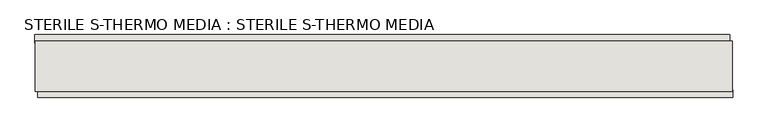
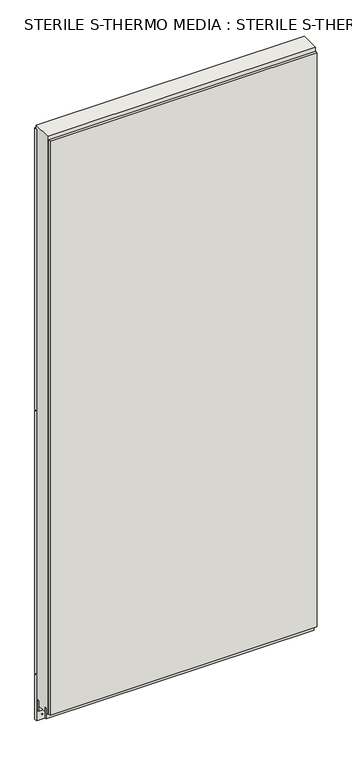
"""IFC4 building model written with IfcOpenShell, lengths in millimetres: wall geometry, STERILE S-THERMO MEDIA : STERILE S-THERMO MEDIA."""

import ifcopenshell
import ifcopenshell.guid

model = None  # the IFC model being written
_history = None  # IfcOwnerHistory: only IFC2X3 demands one
_inside = {}  # id of a spatial element -> (the spatial element, [elements in it])
_under = {}  # id of a project, library or spatial element -> (it, [spatial elements below it])
_declared = {}  # id of a project -> (the project, [libraries it declares])
_typed = {}  # id of a type object -> (the type object, [elements of that type])
_made_of = {}  # id of a material, layer set ... -> (it, [elements and type objects made of it])


def new_model(schema):
    """Start an empty IFC model of exactly this schema.

    Asked for "IFC4X3", IfcOpenShell would pick the latest addendum, in which some entities
    have other attributes; the version numbers below select the first issue.
    IFC2X3 requires an IfcOwnerHistory on every rooted entity: one is made here for all.
    """
    global model, _history
    if schema == "IFC4X3":
        model = ifcopenshell.file(schema_version=(4, 3, 0, 0))
    else:
        model = ifcopenshell.file(schema=schema)
    _inside.clear()
    _under.clear()
    _declared.clear()
    _typed.clear()
    _made_of.clear()
    _history = None
    if model.schema == "IFC2X3":
        org = make("IfcOrganization", Name="unknown")
        user = make(
            "IfcPersonAndOrganization",
            ThePerson=make("IfcPerson", FamilyName="unknown"),
            TheOrganization=org,
        )
        app = make(
            "IfcApplication",
            ApplicationDeveloper=org,
            Version="unknown",
            ApplicationFullName="unknown",
            ApplicationIdentifier="unknown",
        )
        _history = make(
            "IfcOwnerHistory",
            OwningUser=user,
            OwningApplication=app,
            ChangeAction="ADDED",
            CreationDate=0,
        )
    return model


def make(cls, **values):
    """One entity of the class cls with the attributes given. An attribute that is None is left unset."""
    return model.create_entity(
        cls, **{name: value for name, value in values.items() if value is not None}
    )


def rooted(cls, **values):
    """An entity with a GlobalId (a new one), such as an element, a storey or a relation."""
    return make(cls, GlobalId=ifcopenshell.guid.new(), OwnerHistory=_history, **values)


def si_unit(unit_type, name, prefix=None):
    """IfcSIUnit, for example si_unit("LENGTHUNIT", "METRE", prefix="MILLI")."""
    return make("IfcSIUnit", UnitType=unit_type, Prefix=prefix, Name=name)


def assignment(units):
    """IfcUnitAssignment: the units of a project."""
    return None if units is None else make("IfcUnitAssignment", Units=units)


def point(xyz):
    """IfcCartesianPoint."""
    return None if xyz is None else make("IfcCartesianPoint", Coordinates=xyz)


def direction(xyz):
    """IfcDirection."""
    return None if xyz is None else make("IfcDirection", DirectionRatios=xyz)


def frame(location, z_axis=None, x_axis=None):
    """IfcAxis2Placement3D, a coordinate frame: its origin and axes. An axis left out is left unset."""
    return make(
        "IfcAxis2Placement3D",
        Location=point(location),
        Axis=direction(z_axis),
        RefDirection=direction(x_axis),
    )


def origin():
    """The frame at (0, 0, 0) with its axes left unset."""
    return frame((0.0, 0.0, 0.0))


def place(relative_to, where):
    """IfcLocalPlacement: puts the frame where relative to a parent placement (None: the world)."""
    return make(
        "IfcLocalPlacement", PlacementRelTo=relative_to, RelativePlacement=where
    )


def context(
    kind, dimensions, precision=None, world=None, true_north=None, identifier=None
):
    """IfcGeometricRepresentationContext, for example the 3D "Model" context."""
    return make(
        "IfcGeometricRepresentationContext",
        ContextIdentifier=identifier,
        ContextType=kind,
        CoordinateSpaceDimension=dimensions,
        Precision=precision,
        WorldCoordinateSystem=world,
        TrueNorth=true_north,
    )


def project(units=None, contexts=None):
    """IfcProject with its units and contexts."""
    return rooted(
        "IfcProject",
        Name="project",
        RepresentationContexts=contexts,
        UnitsInContext=assignment(units),
    )


def spatial(cls, under=None, at=None, **own):
    """A site, building, storey or space (cls), placed at a placement, below another one or the project."""
    s = rooted(cls, ObjectPlacement=at, **own)
    if under is not None:
        _under.setdefault(under.id(), (under, []))[1].append(s)
    return s


def polyline(points):
    """IfcPolyline through the points."""
    return make("IfcPolyline", Points=[point(p) for p in points])


def outline(outer, holes=None, kind="AREA"):
    """IfcArbitraryClosedProfileDef: a profile drawn as a closed curve; with holes, ...WithVoids."""
    if holes is None:
        return make("IfcArbitraryClosedProfileDef", ProfileType=kind, OuterCurve=outer)
    return make(
        "IfcArbitraryProfileDefWithVoids",
        ProfileType=kind,
        OuterCurve=outer,
        InnerCurves=holes,
    )


def extrude(swept, where, along, depth):
    """IfcExtrudedAreaSolid: the profile swept, set in the frame where, extruded along a direction by depth."""
    return make(
        "IfcExtrudedAreaSolid",
        SweptArea=swept,
        Position=where,
        ExtrudedDirection=direction(along),
        Depth=depth,
    )


def shape(context_of_items, identifier, shape_type, items):
    """IfcShapeRepresentation: the items that make up one representation, for example the "Body"."""
    return make(
        "IfcShapeRepresentation",
        ContextOfItems=context_of_items,
        RepresentationIdentifier=identifier,
        RepresentationType=shape_type,
        Items=items,
    )


def source(mapping_origin, context_of_items, identifier, shape_type, items):
    """IfcRepresentationMap: a shape defined once, which mapped items show again and again."""
    return make(
        "IfcRepresentationMap",
        MappingOrigin=mapping_origin,
        MappedRepresentation=shape(context_of_items, identifier, shape_type, items),
    )


def transform(
    local_origin,
    x_axis=None,
    y_axis=None,
    z_axis=None,
    scale=None,
    scale2=None,
    scale3=None,
    uniform=True,
):
    """IfcCartesianTransformationOperator3D, or its non-uniform kind. x_axis, y_axis, z_axis: its Axis1, 2, 3."""
    if uniform:
        return make(
            "IfcCartesianTransformationOperator3D",
            Axis1=direction(x_axis),
            Axis2=direction(y_axis),
            LocalOrigin=point(local_origin),
            Scale=scale,
            Axis3=direction(z_axis),
        )
    return make(
        "IfcCartesianTransformationOperator3DnonUniform",
        Axis1=direction(x_axis),
        Axis2=direction(y_axis),
        LocalOrigin=point(local_origin),
        Scale=scale,
        Axis3=direction(z_axis),
        Scale2=scale2,
        Scale3=scale3,
    )


def mapped(mapping_source, mapping_target):
    """IfcMappedItem: shows the shape of a source again, moved by a transform."""
    return make(
        "IfcMappedItem", MappingSource=mapping_source, MappingTarget=mapping_target
    )


def made_of(thing, what):
    """Note that an element or type object is made of a material, layer set ...; save() writes the relation."""
    if what is not None:
        _made_of.setdefault(what.id(), (what, []))[1].append(thing)
    return thing


def element(
    cls,
    number,
    at=None,
    inside=None,
    cuts=None,
    type_object=None,
    material=None,
    context=None,
    identifier="Body",
    shape_type=None,
    held_by="IfcProductDefinitionShape",
    body=None,
    shapes=None,
    **own,
):
    """One element of the class cls, such as IfcWall. Its Tag is "e" and its number.

    at: its placement. inside: the storey or other place that contains it. cuts: it is an
    opening in that element (IfcRelVoidsElement). A single representation is given by context,
    identifier, shape_type and body (its items); several are given by shapes. held_by: the class
    of the entity that holds the representations. save() writes the other relations.
    """
    e = rooted(cls, Tag="e%d" % number, ObjectPlacement=at, **own)
    if body is not None:
        shapes = [shape(context, identifier, shape_type, body)]
    if shapes is not None:
        e.Representation = make(held_by, Representations=shapes)
    if inside is not None:
        _inside.setdefault(inside.id(), (inside, []))[1].append(e)
    if cuts is not None:
        rooted(
            "IfcRelVoidsElement", RelatingBuildingElement=cuts, RelatedOpeningElement=e
        )
    if type_object is not None:
        _typed.setdefault(type_object.id(), (type_object, []))[1].append(e)
    return made_of(e, material)


def aggregate(whole, parts):
    """IfcRelAggregates: a whole, such as a stair, and the parts it consists of."""
    return rooted("IfcRelAggregates", RelatingObject=whole, RelatedObjects=parts)


def save(model, path):
    """Write the relations noted so far, then the file.

    IfcRelAggregates (storeys below a building ...), IfcRelContainedInSpatialStructure (elements
    in a storey), IfcRelDefinesByType, IfcRelAssociatesMaterial and IfcRelDeclares: one each for
    every whole, place, type object, material and project.
    """
    for whole, parts in _under.values():
        aggregate(whole, parts)
    for where, things in _inside.values():
        rooted(
            "IfcRelContainedInSpatialStructure",
            RelatedElements=things,
            RelatingStructure=where,
        )
    for kind, things in _typed.values():
        rooted("IfcRelDefinesByType", RelatedObjects=things, RelatingType=kind)
    for what, things in _made_of.values():
        rooted("IfcRelAssociatesMaterial", RelatedObjects=things, RelatingMaterial=what)
    for by, libraries in _declared.values():
        rooted("IfcRelDeclares", RelatingContext=by, RelatedDefinitions=libraries)
    model.write(path)


def sterile_s_thermo_media_sterile_s_thermo_media_e1e61e9f(model_context):
    return source(origin(), model_context, "Body", "SweptSolid", [
        extrude(outline(polyline([(86928.388246, -51524.0345692), (86930.928246, -51524.0345692), (86930.928246, -51526.5745692), (86928.388246, -51526.5745692), (86928.388246, -51524.0345692)])), frame((0.0, 0.0, 4419.6), z_axis=(0.0, 0.0, 1.0), x_axis=(1.0, 0.0, 0.0)), (0.0, 0.0, 1.0), 2.54),
        extrude(outline(polyline([(88053.5061253, -51576.1045692), (86932.8485495, -51576.1045692), (86932.8485495, -51563.4045692), (88053.5061253, -51563.4045692), (88053.5061253, -51576.1045692)])), frame((0.0, 0.0, 4445.0), z_axis=(0.0, 0.0, 1.0), x_axis=(1.0, 0.0, 0.0)), (0.0, 0.0, 1.0), 2545.0498756),
        extrude(outline(polyline([(86927.9248357, -51474.5045692), (88048.5824115, -51474.5045692), (88048.5824115, -51487.2045692), (86927.9248357, -51487.2045692), (86927.9248357, -51474.5045692)])), frame((0.0, 0.0, 4573.9999706), z_axis=(0.0, 0.0, 1.0), x_axis=(1.0, 0.0, 0.0)), (0.0, 0.0, 1.0), 1164.400008),
        extrude(outline(polyline([(86927.9248357, -51474.5045692), (88048.5824115, -51474.5045692), (88048.5824115, -51487.2045692), (86927.9248357, -51487.2045692), (86927.9248357, -51474.5045692)])), frame((0.0, 0.0, 5742.4000722), z_axis=(0.0, 0.0, 1.0), x_axis=(1.0, 0.0, 0.0)), (0.0, 0.0, 1.0), 1247.649905),
        extrude(outline(polyline([(86927.9248357, -51474.5045692), (88048.5824115, -51474.5045692), (88048.5824115, -51487.2045692), (86927.9248357, -51487.2045692), (86927.9248357, -51474.5045692)])), frame((0.0, 0.0, 4368.1000014), z_axis=(0.0, 0.0, 1.0), x_axis=(1.0, 0.0, 0.0)), (0.0, 0.0, 1.0), 201.9000026),
        extrude(outline(polyline([(86928.3746062, -51550.3914126), (88053.0377366, -51550.3914126), (88053.0377366, -51555.4732668), (86928.3746062, -51555.4732668), (86928.3746062, -51550.3914126)])), frame((0.0, 0.0, 4418.6602), z_axis=(0.0, 0.0, 1.0), x_axis=(1.0, 0.0, 0.0)), (0.0, 0.0, 1.0), 47.625),
        extrude(outline(polyline([(86928.3746062, -51550.3914126), (88053.0377366, -51550.3914126), (88053.0377366, -51555.4732668), (86928.3746062, -51555.4732668), (86928.3746062, -51550.3914126)])), frame((0.0, 0.0, 4418.6602), z_axis=(0.0, 0.0, 1.0), x_axis=(1.0, 0.0, 0.0)), (0.0, 0.0, 1.0), 47.625),
        extrude(outline(polyline([(88053.0377366, -51500.2270222), (86928.3746062, -51500.2270222), (86928.3746062, -51495.1482668), (88053.0377366, -51495.1482668), (88053.0377366, -51500.2270222)])), frame((0.0, 0.0, 4418.6602), z_axis=(0.0, 0.0, 1.0), x_axis=(1.0, 0.0, 0.0)), (0.0, 0.0, 1.0), 47.625),
        extrude(outline(polyline([(88053.0377366, -51500.2270222), (86928.3746062, -51500.2270222), (86928.3746062, -51495.1482668), (88053.0377366, -51495.1482668), (88053.0377366, -51500.2270222)])), frame((0.0, 0.0, 4418.6602), z_axis=(0.0, 0.0, 1.0), x_axis=(1.0, 0.0, 0.0)), (0.0, 0.0, 1.0), 47.625),
        extrude(outline(polyline([(86928.3746062, -51565.9377366), (86928.3746062, -51484.6558824), (88053.0377366, -51484.6558824), (88053.0377366, -51565.9377366), (86928.3746062, -51565.9377366)])), frame((0.0, 0.0, 4445.0), z_axis=(0.0, 0.0, 1.0), x_axis=(1.0, 0.0, 0.0)), (0.0, 0.0, 1.0), 2562.4536762),
    ])


if __name__ == "__main__":
    model = new_model("IFC4")
    model_context = context("Model", 3, world=origin())
    ifc_project = project(units=[si_unit("LENGTHUNIT", "METRE", prefix="MILLI")], contexts=[model_context])
    site = spatial("IfcSite", under=ifc_project)
    building = spatial("IfcBuilding", under=site)
    placement = place(None, origin())
    sterile_s_thermo_media_sterile_s_thermo_media_shape = sterile_s_thermo_media_sterile_s_thermo_media_e1e61e9f(model_context)
    element("IfcWall", 1, ObjectType="STERILE S-THERMO MEDIA : STERILE S-THERMO MEDIA", at=placement, inside=building, context=model_context, shape_type="MappedRepresentation", body=[
        mapped(sterile_s_thermo_media_sterile_s_thermo_media_shape, transform((0.0, 0.0, 0.0), x_axis=(1.0, 0.0, 0.0), y_axis=(0.0, 1.0, 0.0), z_axis=(0.0, 0.0, 1.0))),
    ])
    save(model, "model.ifc")
